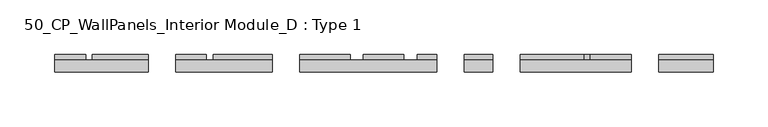
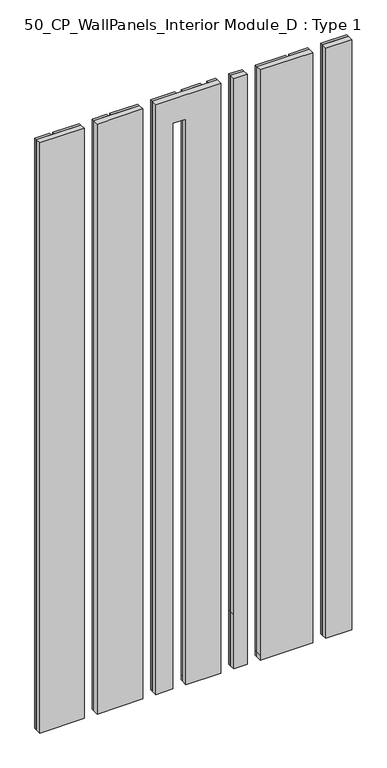
"""IFC4 building model written with IfcOpenShell, lengths in millimetres: plate geometry, 50_CP_WallPanels_Interior Module_D : Type 1."""

from ifc_helpers import new_model, si_unit, frame, origin, origin_with_axes, place, context, project, spatial, polyline, outline, extrude, source, transform, mapped, element, save


def plate_50_cp_wallpanels_interior_module_d_type_1_25f24bb9(model_context):
    return source(origin(), model_context, "Body", "SweptSolid", [
        extrude(outline(polyline([(1200.0, 123.9649025), (10.0, 123.9649025), (0.0, 123.9649025), (0.0, 225.2059061), (1200.0, 225.2059061), (1200.0, 123.9649025)])), frame((0.0, 0.0, 0.0), z_axis=(0.0, 1.0, 0.0), x_axis=(0.0, 0.0, 1.0)), (0.0, 0.0, 1.0), 11.0),
        extrude(outline(polyline([(1200.0, 73.2059061), (110.0, 73.2059061), (0.0, 73.2059061), (0.0, 98.9649025), (1200.0, 98.9649025), (1200.0, 73.2059061)])), frame((0.0, 0.0, 0.0), z_axis=(0.0, 1.0, 0.0), x_axis=(0.0, 0.0, 1.0)), (0.0, 0.0, 1.0), 11.0),
        extrude(outline(polyline([(1200.0, -76.7940939), (0.0, -76.7940939), (0.0, -43.7940939), (1150.0, -43.7940939), (1150.0, -18.7940939), (0.0, -18.7940939), (0.0, 48.2059061), (1200.0, 48.2059061), (1200.0, -76.7940939)])), frame((0.0, 0.0, 0.0), z_axis=(0.0, 1.0, 0.0), x_axis=(0.0, 0.0, 1.0)), (0.0, 0.0, 1.0), 11.0),
        extrude(outline(polyline([(-101.7940939, 11.0), (-101.7940939, 0.0), (-189.7940939, 0.0), (-189.7940939, 11.0), (-101.7940939, 11.0)])), origin_with_axes(), (0.0, 0.0, 1.0), 1200.0),
        extrude(outline(polyline([(-300.0000002, 11.0), (-214.7940939, 11.0), (-214.7940939, 0.0), (-300.0000002, 0.0), (-300.0000002, 11.0)])), origin_with_axes(), (0.0, 0.0, 1.0), 1200.0),
        extrude(outline(polyline([(300.0000002, 0.0), (250.2059061, 0.0), (250.2059061, 11.0), (300.0000002, 11.0), (300.0000002, 0.0)])), origin_with_axes(), (0.0, 0.0, 1.0), 1200.0),
        extrude(outline(polyline([(0.0, 158.2059061), (1160.0, 158.2059061), (1160.0, 182.2059061), (1200.0, 182.2059061), (1200.0, 123.9649025), (10.0, 123.9649025), (0.0, 123.9649025), (0.0, 158.2059061)])), frame((0.0, 11.0, 0.0), z_axis=(0.0, 1.0, 0.0), x_axis=(0.0, 0.0, 1.0)), (0.0, 0.0, 1.0), 5.0),
        extrude(outline(polyline([(0.0, 98.9649025), (1200.0, 98.9649025), (1200.0, 73.2059061), (110.0, 73.2059061), (0.0, 73.2059061), (0.0, 98.9649025)])), frame((0.0, 11.0, 0.0), z_axis=(0.0, 1.0, 0.0), x_axis=(0.0, 0.0, 1.0)), (0.0, 0.0, 1.0), 5.0),
        extrude(outline(polyline([(48.2059061, 16.0), (48.2059061, 11.0), (30.2059061, 11.0), (30.2059061, 16.0), (48.2059061, 16.0)])), origin_with_axes(), (0.0, 0.0, 1.0), 1200.0),
        extrude(outline(polyline([(0.0, -43.7940939), (1150.0, -43.7940939), (1150.0, -30.7940939), (1200.0, -30.7940939), (1200.0, -76.7940939), (0.0, -76.7940939), (0.0, -43.7940939)])), frame((0.0, 11.0, 0.0), z_axis=(0.0, 1.0, 0.0), x_axis=(0.0, 0.0, 1.0)), (0.0, 0.0, 1.0), 5.0),
        extrude(outline(polyline([(-101.7940939, 16.0), (-101.7940939, 11.0), (-155.7940939, 11.0), (-155.7940939, 16.0), (-101.7940939, 16.0)])), origin_with_axes(), (0.0, 0.0, 1.0), 1200.0),
        extrude(outline(polyline([(-161.7940939, 16.0), (-161.7940939, 11.0), (-189.7940939, 11.0), (-189.7940939, 16.0), (-161.7940939, 16.0)])), origin_with_axes(), (0.0, 0.0, 1.0), 1200.0),
        extrude(outline(polyline([(0.0, 225.2059061), (1200.0, 225.2059061), (1200.0, 188.2059061), (1154.0, 188.2059061), (1154.0, 164.2059061), (0.0, 164.2059061), (0.0, 225.2059061)])), frame((0.0, 11.0, 0.0), z_axis=(0.0, 1.0, 0.0), x_axis=(0.0, 0.0, 1.0)), (0.0, 0.0, 1.0), 5.0),
        extrude(outline(polyline([(0.0, 18.2059061), (1200.0, 18.2059061), (1200.0, -18.7940939), (10.0, -18.7940939), (0.0, -18.7940939), (0.0, 18.2059061)])), frame((0.0, 11.0, 0.0), z_axis=(0.0, 1.0, 0.0), x_axis=(0.0, 0.0, 1.0)), (0.0, 0.0, 1.0), 5.0),
        extrude(outline(polyline([(-214.7940939, 16.0), (-214.7940939, 11.0), (-265.7940939, 11.0), (-265.7940939, 16.0), (-214.7940939, 16.0)])), origin_with_axes(), (0.0, 0.0, 1.0), 1200.0),
        extrude(outline(polyline([(-300.0000002, 16.0), (-271.7940939, 16.0), (-271.7940939, 11.0), (-300.0000002, 11.0), (-300.0000002, 16.0)])), origin_with_axes(), (0.0, 0.0, 1.0), 1200.0),
        extrude(outline(polyline([(300.0000002, 11.0), (250.2059061, 11.0), (250.2059061, 16.0), (300.0000002, 16.0), (300.0000002, 11.0)])), origin_with_axes(), (0.0, 0.0, 1.0), 1200.0),
    ])


if __name__ == "__main__":
    model = new_model("IFC4")
    model_context = context("Model", 3, world=origin())
    ifc_project = project(units=[si_unit("LENGTHUNIT", "METRE", prefix="MILLI")], contexts=[model_context])
    site = spatial("IfcSite", under=ifc_project)
    building = spatial("IfcBuilding", under=site)
    placement = place(None, origin())
    plate_50_cp_wallpanels_interior_module_d_type_1_shape = plate_50_cp_wallpanels_interior_module_d_type_1_25f24bb9(model_context)
    element("IfcPlate", 1, ObjectType="50_CP_WallPanels_Interior Module_D : Type 1", at=placement, inside=building, context=model_context, shape_type="MappedRepresentation", body=[
        mapped(plate_50_cp_wallpanels_interior_module_d_type_1_shape, transform((0.0, 0.0, 0.0), x_axis=(1.0, 0.0, 0.0), y_axis=(0.0, 1.0, 0.0), z_axis=(0.0, 0.0, 1.0))),
    ])
    save(model, "model.ifc")
